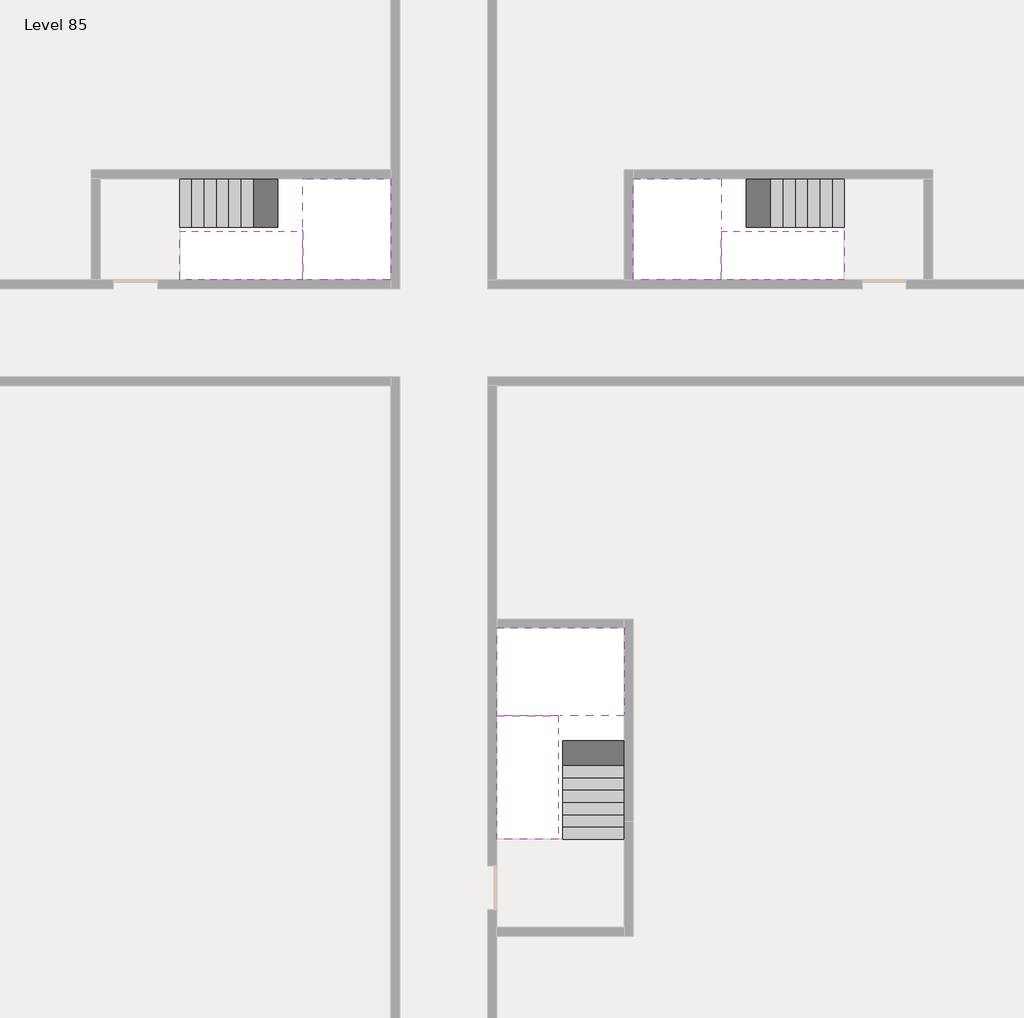
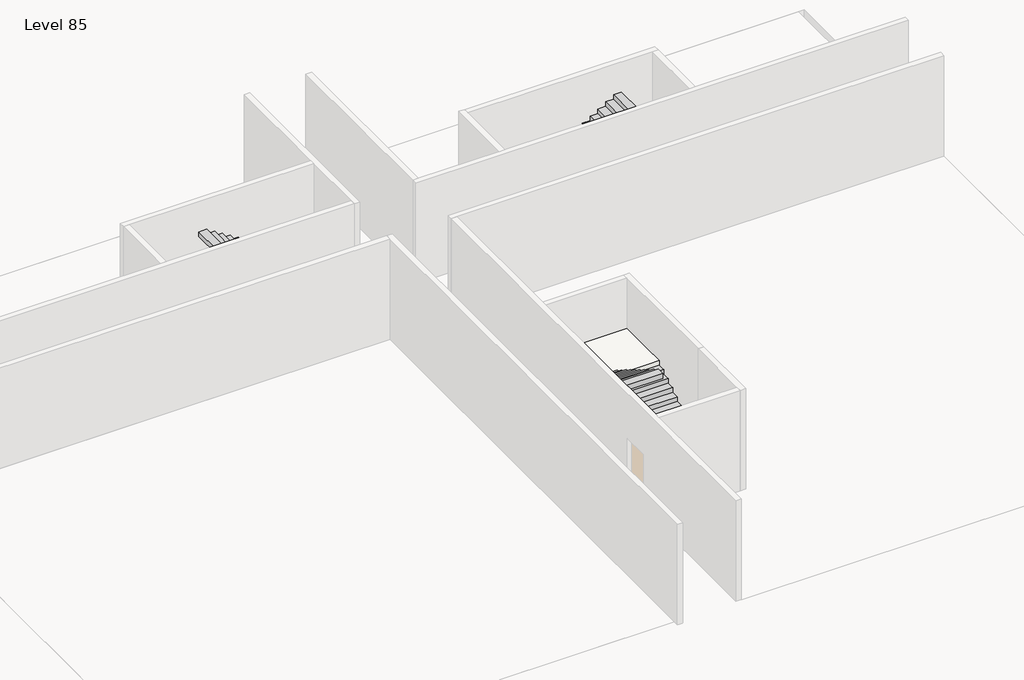
# One storey, part 2 of 2: 6 stair flights, 3 slabs.
"""IFC4 building model written with IfcOpenShell, lengths in millimetres."""

from ifc_helpers import new_model, si_unit, origin, place, context, project, spatial, faceted_brep, element, save

model = new_model("IFC4")

# Units and contexts
model_context = context("Model", 3, world=origin())
ifc_project = project(units=[si_unit("LENGTHUNIT", "METRE", prefix="MILLI")], contexts=[model_context])

# Site, building, storey
site = spatial("IfcSite", under=ifc_project)
building = spatial("IfcBuilding", under=site)
storey = spatial("IfcBuildingStorey", under=building, Name="Level 85", Elevation=319200.0)

# Slabs
placement = place(None, origin())
element("IfcSlab", 1, at=placement, inside=storey, context=model_context, shape_type="Brep", body=[
    faceted_brep([(26890.1058784, -40418.09644, 321100.0), (28290.1058784, -40418.09644, 321100.0), (28290.1058784, -40338.7100038, 321100.0), (28290.1058784, -38418.09644, 321100.0), (25390.1058784, -38418.09644, 321100.0), (25390.1058784, -40217.4828763, 321100.0), (25390.1058784, -40418.09644, 321100.0), (26790.1058784, -40418.09644, 321100.0), (26890.1058784, -40418.09644, 320800.0), (26890.1058784, -40418.09644, 320751.0278478), (28290.1058784, -40418.09644, 320751.0278478), (28290.1058784, -40418.09644, 320927.2727273), (28290.1058784, -40338.7100038, 320800.0), (28290.1058784, -38418.09644, 320800.0), (25390.1058784, -38418.09644, 320800.0), (25390.1058784, -40217.4828763, 320800.0), (25390.1058784, -40418.09644, 320923.7551205), (26790.1058784, -40418.09644, 320923.7551205), (26790.1058784, -40418.09644, 320800.0), (26790.1058784, -40217.4828763, 320800.0), (26890.1058784, -40338.7100038, 320800.0)], [[[0, 1, 2, 3, 4, 5, 6, 7]], [[1, 0, 8, 9, 10, 11]], [[1, 11, 10, 12, 13, 3, 2]], [[4, 3, 13, 14]], [[4, 14, 15, 16, 6, 5]], [[7, 6, 16, 17]], [[0, 7, 17, 18, 8]], [[18, 19, 15, 14, 13, 12, 20, 8]], [[19, 18, 17]], [[20, 12, 10, 9]], [[8, 20, 9]], [[15, 19, 17, 16]]]),
])
element("IfcSlab", 2, at=placement, inside=storey, context=model_context, shape_type="Brep", body=[
    faceted_brep([(20990.1058784, -28218.09644, 321100.0), (20990.1058784, -29318.09644, 321100.0), (20990.1058784, -29418.09644, 321100.0), (20990.1058784, -30518.09644, 321100.0), (21190.7194421, -30518.09644, 321100.0), (22990.1058784, -30518.09644, 321100.0), (22990.1058784, -28218.09644, 321100.0), (21069.4923146, -28218.09644, 321100.0), (20990.1058784, -28218.09644, 320927.2727273), (20990.1058784, -28218.09644, 320751.0278478), (20990.1058784, -29318.09644, 320751.0278478), (20990.1058784, -29318.09644, 320800.0), (20990.1058784, -29418.09644, 320800.0), (20990.1058784, -29418.09644, 320923.7551205), (20990.1058784, -30518.09644, 320923.7551205), (21190.7194421, -30518.09644, 320800.0), (22990.1058784, -30518.09644, 320800.0), (22990.1058784, -28218.09644, 320800.0), (21069.4923146, -28218.09644, 320800.0), (21190.7194421, -29418.09644, 320800.0), (21069.4923146, -29318.09644, 320800.0)], [[[0, 1, 2, 3, 4, 5, 6, 7]], [[1, 0, 8, 9, 10, 11]], [[2, 1, 11, 12, 13]], [[3, 2, 13, 14]], [[3, 14, 15, 16, 5, 4]], [[6, 5, 16, 17]], [[9, 8, 0, 7, 6, 17, 18]], [[19, 12, 11, 20, 18, 17, 16, 15]], [[12, 19, 13]], [[18, 20, 10, 9]], [[20, 11, 10]], [[19, 15, 14, 13]]]),
])
element("IfcSlab", 3, at=placement, inside=storey, context=model_context, shape_type="Brep", body=[
    faceted_brep([(30490.1058784, -29318.09644, 321100.0), (30490.1058784, -28218.09644, 321100.0), (30410.7194421, -28218.09644, 321100.0), (28490.1058784, -28218.09644, 321100.0), (28490.1058784, -30518.09644, 321100.0), (30289.4923146, -30518.09644, 321100.0), (30490.1058784, -30518.09644, 321100.0), (30490.1058784, -29418.09644, 321100.0), (30490.1058784, -29318.09644, 320800.0), (30490.1058784, -29318.09644, 320751.0278478), (30490.1058784, -28218.09644, 320751.0278478), (30490.1058784, -28218.09644, 320927.2727273), (30490.1058784, -29418.09644, 320923.7551205), (30490.1058784, -29418.09644, 320800.0), (30490.1058784, -30518.09644, 320923.7551205), (28490.1058784, -30518.09644, 320800.0), (30289.4923146, -30518.09644, 320800.0), (28490.1058784, -28218.09644, 320800.0), (30410.7194421, -28218.09644, 320800.0), (30289.4923146, -29418.09644, 320800.0), (30410.7194421, -29318.09644, 320800.0)], [[[0, 1, 2, 3, 4, 5, 6, 7]], [[1, 0, 8, 9, 10, 11]], [[0, 7, 12, 13, 8]], [[7, 6, 14, 12]], [[4, 15, 16, 14, 6, 5]], [[4, 3, 17, 15]], [[1, 11, 10, 18, 17, 3, 2]], [[13, 19, 16, 15, 17, 18, 20, 8]], [[20, 18, 10, 9]], [[8, 20, 9]], [[16, 19, 12, 14]], [[19, 13, 12]]]),
])

# Stair flights
element("IfcStairFlight", 4, at=placement, inside=storey, context=model_context, shape_type="Brep", body=[
    faceted_brep([(26890.1058784, -42938.09644, 319372.7272727), (26890.1058784, -43218.09644, 319372.7272727), (28290.1058784, -43218.09644, 319372.7272727), (28290.1058784, -42938.09644, 319372.7272727), (26890.1058784, -42938.09644, 319200.0), (26890.1058784, -43218.09644, 319200.0), (28290.1058784, -43218.09644, 319200.0), (28290.1058784, -42938.09644, 319200.0), (26890.1058784, -42658.09644, 319545.4545455), (26890.1058784, -42938.09644, 319545.4545455), (28290.1058784, -42938.09644, 319545.4545455), (28290.1058784, -42658.09644, 319545.4545455), (26890.1058784, -42658.09644, 319369.209666), (26890.1058784, -42932.3942143, 319200.0), (28290.1058784, -42932.3942143, 319200.0), (28290.1058784, -42658.09644, 319369.209666), (26890.1058784, -42378.09644, 319718.1818182), (26890.1058784, -42658.09644, 319718.1818182), (28290.1058784, -42658.09644, 319718.1818182), (28290.1058784, -42378.09644, 319718.1818182), (26890.1058784, -42378.09644, 319541.9369387), (28290.1058784, -42378.09644, 319541.9369387), (26890.1058784, -42098.09644, 319890.9090909), (26890.1058784, -42378.09644, 319890.9090909), (28290.1058784, -42378.09644, 319890.9090909), (28290.1058784, -42098.09644, 319890.9090909), (26890.1058784, -42098.09644, 319714.6642114), (28290.1058784, -42098.09644, 319714.6642114), (26890.1058784, -41818.09644, 320063.6363636), (26890.1058784, -42098.09644, 320063.6363636), (28290.1058784, -42098.09644, 320063.6363636), (28290.1058784, -41818.09644, 320063.6363636), (26890.1058784, -41818.09644, 319887.3914841), (28290.1058784, -41818.09644, 319887.3914841), (26890.1058784, -41538.09644, 320236.3636364), (26890.1058784, -41818.09644, 320236.3636364), (28290.1058784, -41818.09644, 320236.3636364), (28290.1058784, -41538.09644, 320236.3636364), (26890.1058784, -41538.09644, 320060.1187569), (28290.1058784, -41538.09644, 320060.1187569), (26890.1058784, -41258.09644, 320409.0909091), (26890.1058784, -41538.09644, 320409.0909091), (28290.1058784, -41538.09644, 320409.0909091), (28290.1058784, -41258.09644, 320409.0909091), (26890.1058784, -41258.09644, 320232.8460296), (28290.1058784, -41258.09644, 320232.8460296), (26890.1058784, -40978.09644, 320581.8181818), (26890.1058784, -41258.09644, 320581.8181818), (28290.1058784, -41258.09644, 320581.8181818), (28290.1058784, -40978.09644, 320581.8181818), (26890.1058784, -40978.09644, 320405.5733023), (28290.1058784, -40978.09644, 320405.5733023), (26890.1058784, -40698.09644, 320754.5454545), (26890.1058784, -40978.09644, 320754.5454545), (28290.1058784, -40978.09644, 320754.5454545), (28290.1058784, -40698.09644, 320754.5454545), (26890.1058784, -40698.09644, 320578.3005751), (28290.1058784, -40698.09644, 320578.3005751), (26890.1058784, -40418.09644, 320927.2727273), (26890.1058784, -40698.09644, 320927.2727273), (28290.1058784, -40698.09644, 320927.2727273), (28290.1058784, -40418.09644, 320927.2727273), (26890.1058784, -40418.09644, 320800.0), (26890.1058784, -40418.09644, 320751.0278478), (28290.1058784, -40418.09644, 320751.0278478)], [[[0, 1, 2, 3]], [[1, 0, 4, 5]], [[2, 1, 5, 6]], [[3, 2, 6, 7]], [[8, 9, 10, 11]], [[4, 0, 9, 8, 12, 13]], [[0, 3, 10, 9]], [[3, 7, 14, 15, 11, 10]], [[16, 17, 18, 19]], [[17, 16, 20, 12, 8]], [[8, 11, 18, 17]], [[19, 18, 11, 15, 21]], [[22, 23, 24, 25]], [[23, 22, 26, 20, 16]], [[16, 19, 24, 23]], [[25, 24, 19, 21, 27]], [[28, 29, 30, 31]], [[29, 28, 32, 26, 22]], [[22, 25, 30, 29]], [[31, 30, 25, 27, 33]], [[34, 35, 36, 37]], [[35, 34, 38, 32, 28]], [[28, 31, 36, 35]], [[37, 36, 31, 33, 39]], [[40, 41, 42, 43]], [[41, 40, 44, 38, 34]], [[34, 37, 42, 41]], [[43, 42, 37, 39, 45]], [[46, 47, 48, 49]], [[47, 46, 50, 44, 40]], [[40, 43, 48, 47]], [[49, 48, 43, 45, 51]], [[52, 53, 54, 55]], [[53, 52, 56, 50, 46]], [[46, 49, 54, 53]], [[55, 54, 49, 51, 57]], [[58, 59, 60, 61]], [[59, 58, 62, 63, 56, 52]], [[52, 55, 60, 59]], [[61, 60, 55, 57, 64]], [[58, 61, 64, 63, 62]], [[5, 4, 13, 14, 7, 6]], [[14, 13, 12, 20, 26, 32, 38, 44, 50, 56, 63, 64, 57, 51, 45, 39, 33, 27, 21, 15]]]),
])
element("IfcStairFlight", 5, at=placement, inside=storey, context=model_context, shape_type="Brep", body=[
    faceted_brep([(26790.1058784, -40698.09644, 321272.7272727), (26790.1058784, -40418.09644, 321272.7272727), (25390.1058784, -40418.09644, 321272.7272727), (25390.1058784, -40698.09644, 321272.7272727), (26790.1058784, -40698.09644, 321096.4823932), (26790.1058784, -40418.09644, 320923.7551205), (25390.1058784, -40418.09644, 320923.7551205), (25390.1058784, -40418.09644, 321100.0), (25390.1058784, -40698.09644, 321096.4823932), (26790.1058784, -40978.09644, 321445.4545455), (26790.1058784, -40698.09644, 321445.4545455), (25390.1058784, -40698.09644, 321445.4545455), (25390.1058784, -40978.09644, 321445.4545455), (26790.1058784, -40978.09644, 321269.209666), (25390.1058784, -40978.09644, 321269.209666), (26790.1058784, -41258.09644, 321618.1818182), (26790.1058784, -40978.09644, 321618.1818182), (25390.1058784, -40978.09644, 321618.1818182), (25390.1058784, -41258.09644, 321618.1818182), (26790.1058784, -41258.09644, 321441.9369387), (25390.1058784, -41258.09644, 321441.9369387), (26790.1058784, -41538.09644, 321790.9090909), (26790.1058784, -41258.09644, 321790.9090909), (25390.1058784, -41258.09644, 321790.9090909), (25390.1058784, -41538.09644, 321790.9090909), (26790.1058784, -41538.09644, 321614.6642114), (25390.1058784, -41538.09644, 321614.6642114), (26790.1058784, -41818.09644, 321963.6363636), (26790.1058784, -41538.09644, 321963.6363636), (25390.1058784, -41538.09644, 321963.6363636), (25390.1058784, -41818.09644, 321963.6363636), (26790.1058784, -41818.09644, 321787.3914841), (25390.1058784, -41818.09644, 321787.3914841), (26790.1058784, -42098.09644, 322136.3636364), (26790.1058784, -41818.09644, 322136.3636364), (25390.1058784, -41818.09644, 322136.3636364), (25390.1058784, -42098.09644, 322136.3636364), (26790.1058784, -42098.09644, 321960.1187569), (25390.1058784, -42098.09644, 321960.1187569), (26790.1058784, -42378.09644, 322309.0909091), (26790.1058784, -42098.09644, 322309.0909091), (25390.1058784, -42098.09644, 322309.0909091), (25390.1058784, -42378.09644, 322309.0909091), (26790.1058784, -42378.09644, 322132.8460296), (25390.1058784, -42378.09644, 322132.8460296), (26790.1058784, -42658.09644, 322481.8181818), (26790.1058784, -42378.09644, 322481.8181818), (25390.1058784, -42378.09644, 322481.8181818), (25390.1058784, -42658.09644, 322481.8181818), (26790.1058784, -42658.09644, 322305.5733023), (25390.1058784, -42658.09644, 322305.5733023), (26790.1058784, -42938.09644, 322654.5454545), (26790.1058784, -42658.09644, 322654.5454545), (25390.1058784, -42658.09644, 322654.5454545), (25390.1058784, -42938.09644, 322654.5454545), (26790.1058784, -42938.09644, 322478.3005751), (25390.1058784, -42938.09644, 322478.3005751), (26790.1058784, -43218.09644, 322827.2727273), (26790.1058784, -42938.09644, 322827.2727273), (25390.1058784, -42938.09644, 322827.2727273), (25390.1058784, -43218.09644, 322827.2727273), (26790.1058784, -43218.09644, 322651.0278478), (25390.1058784, -43218.09644, 322651.0278478)], [[[0, 1, 2, 3]], [[1, 0, 4, 5]], [[2, 1, 5, 6, 7]], [[3, 2, 7, 6, 8]], [[9, 10, 11, 12]], [[10, 9, 13, 4, 0]], [[11, 10, 0, 3]], [[12, 11, 3, 8, 14]], [[15, 16, 17, 18]], [[16, 15, 19, 13, 9]], [[17, 16, 9, 12]], [[18, 17, 12, 14, 20]], [[21, 22, 23, 24]], [[22, 21, 25, 19, 15]], [[23, 22, 15, 18]], [[24, 23, 18, 20, 26]], [[27, 28, 29, 30]], [[28, 27, 31, 25, 21]], [[29, 28, 21, 24]], [[30, 29, 24, 26, 32]], [[33, 34, 35, 36]], [[34, 33, 37, 31, 27]], [[35, 34, 27, 30]], [[36, 35, 30, 32, 38]], [[39, 40, 41, 42]], [[40, 39, 43, 37, 33]], [[41, 40, 33, 36]], [[42, 41, 36, 38, 44]], [[45, 46, 47, 48]], [[46, 45, 49, 43, 39]], [[47, 46, 39, 42]], [[48, 47, 42, 44, 50]], [[51, 52, 53, 54]], [[52, 51, 55, 49, 45]], [[53, 52, 45, 48]], [[54, 53, 48, 50, 56]], [[57, 58, 59, 60]], [[58, 57, 61, 55, 51]], [[59, 58, 51, 54]], [[60, 59, 54, 56, 62]], [[57, 60, 62, 61]], [[5, 4, 13, 19, 25, 31, 37, 43, 49, 55, 61, 62, 56, 50, 44, 38, 32, 26, 20, 14, 8, 6]]]),
])
element("IfcStairFlight", 6, at=placement, inside=storey, context=model_context, shape_type="Brep", body=[
    faceted_brep([(18470.1058784, -28218.09644, 319372.7272727), (18190.1058784, -28218.09644, 319372.7272727), (18190.1058784, -29318.09644, 319372.7272727), (18470.1058784, -29318.09644, 319372.7272727), (18470.1058784, -28218.09644, 319200.0), (18190.1058784, -28218.09644, 319200.0), (18190.1058784, -29318.09644, 319200.0), (18470.1058784, -29318.09644, 319200.0), (18750.1058784, -28218.09644, 319545.4545455), (18470.1058784, -28218.09644, 319545.4545455), (18470.1058784, -29318.09644, 319545.4545455), (18750.1058784, -29318.09644, 319545.4545455), (18750.1058784, -28218.09644, 319369.209666), (18475.8081041, -28218.09644, 319200.0), (18475.8081041, -29318.09644, 319200.0), (18750.1058784, -29318.09644, 319369.209666), (19030.1058784, -28218.09644, 319718.1818182), (18750.1058784, -28218.09644, 319718.1818182), (18750.1058784, -29318.09644, 319718.1818182), (19030.1058784, -29318.09644, 319718.1818182), (19030.1058784, -28218.09644, 319541.9369387), (19030.1058784, -29318.09644, 319541.9369387), (19310.1058784, -28218.09644, 319890.9090909), (19030.1058784, -28218.09644, 319890.9090909), (19030.1058784, -29318.09644, 319890.9090909), (19310.1058784, -29318.09644, 319890.9090909), (19310.1058784, -28218.09644, 319714.6642114), (19310.1058784, -29318.09644, 319714.6642114), (19590.1058784, -28218.09644, 320063.6363636), (19310.1058784, -28218.09644, 320063.6363636), (19310.1058784, -29318.09644, 320063.6363636), (19590.1058784, -29318.09644, 320063.6363636), (19590.1058784, -28218.09644, 319887.3914841), (19590.1058784, -29318.09644, 319887.3914841), (19870.1058784, -28218.09644, 320236.3636364), (19590.1058784, -28218.09644, 320236.3636364), (19590.1058784, -29318.09644, 320236.3636364), (19870.1058784, -29318.09644, 320236.3636364), (19870.1058784, -28218.09644, 320060.1187569), (19870.1058784, -29318.09644, 320060.1187569), (20150.1058784, -28218.09644, 320409.0909091), (19870.1058784, -28218.09644, 320409.0909091), (19870.1058784, -29318.09644, 320409.0909091), (20150.1058784, -29318.09644, 320409.0909091), (20150.1058784, -28218.09644, 320232.8460296), (20150.1058784, -29318.09644, 320232.8460296), (20430.1058784, -28218.09644, 320581.8181818), (20150.1058784, -28218.09644, 320581.8181818), (20150.1058784, -29318.09644, 320581.8181818), (20430.1058784, -29318.09644, 320581.8181818), (20430.1058784, -28218.09644, 320405.5733023), (20430.1058784, -29318.09644, 320405.5733023), (20710.1058784, -28218.09644, 320754.5454545), (20430.1058784, -28218.09644, 320754.5454545), (20430.1058784, -29318.09644, 320754.5454545), (20710.1058784, -29318.09644, 320754.5454545), (20710.1058784, -28218.09644, 320578.3005751), (20710.1058784, -29318.09644, 320578.3005751), (20990.1058784, -28218.09644, 320927.2727273), (20710.1058784, -28218.09644, 320927.2727273), (20710.1058784, -29318.09644, 320927.2727273), (20990.1058784, -29318.09644, 320927.2727273), (20990.1058784, -28218.09644, 320751.0278478), (20990.1058784, -29318.09644, 320751.0278478), (20990.1058784, -29318.09644, 320800.0)], [[[0, 1, 2, 3]], [[1, 0, 4, 5]], [[2, 1, 5, 6]], [[3, 2, 6, 7]], [[8, 9, 10, 11]], [[4, 0, 9, 8, 12, 13]], [[0, 3, 10, 9]], [[3, 7, 14, 15, 11, 10]], [[16, 17, 18, 19]], [[17, 16, 20, 12, 8]], [[8, 11, 18, 17]], [[19, 18, 11, 15, 21]], [[22, 23, 24, 25]], [[23, 22, 26, 20, 16]], [[16, 19, 24, 23]], [[25, 24, 19, 21, 27]], [[28, 29, 30, 31]], [[29, 28, 32, 26, 22]], [[22, 25, 30, 29]], [[31, 30, 25, 27, 33]], [[34, 35, 36, 37]], [[35, 34, 38, 32, 28]], [[28, 31, 36, 35]], [[37, 36, 31, 33, 39]], [[40, 41, 42, 43]], [[41, 40, 44, 38, 34]], [[34, 37, 42, 41]], [[43, 42, 37, 39, 45]], [[46, 47, 48, 49]], [[47, 46, 50, 44, 40]], [[40, 43, 48, 47]], [[49, 48, 43, 45, 51]], [[52, 53, 54, 55]], [[53, 52, 56, 50, 46]], [[46, 49, 54, 53]], [[55, 54, 49, 51, 57]], [[58, 59, 60, 61]], [[59, 58, 62, 56, 52]], [[52, 55, 60, 59]], [[61, 60, 55, 57, 63, 64]], [[58, 61, 64, 63, 62]], [[5, 4, 13, 14, 7, 6]], [[14, 13, 12, 20, 26, 32, 38, 44, 50, 56, 62, 63, 57, 51, 45, 39, 33, 27, 21, 15]]]),
])
element("IfcStairFlight", 7, at=placement, inside=storey, context=model_context, shape_type="Brep", body=[
    faceted_brep([(20710.1058784, -30518.09644, 321272.7272727), (20990.1058784, -30518.09644, 321272.7272727), (20990.1058784, -29418.09644, 321272.7272727), (20710.1058784, -29418.09644, 321272.7272727), (20710.1058784, -30518.09644, 321096.4823932), (20990.1058784, -30518.09644, 320923.7551205), (20990.1058784, -30518.09644, 321100.0), (20990.1058784, -29418.09644, 320923.7551205), (20710.1058784, -29418.09644, 321096.4823932), (20430.1058784, -30518.09644, 321445.4545455), (20710.1058784, -30518.09644, 321445.4545455), (20710.1058784, -29418.09644, 321445.4545455), (20430.1058784, -29418.09644, 321445.4545455), (20430.1058784, -30518.09644, 321269.209666), (20430.1058784, -29418.09644, 321269.209666), (20150.1058784, -30518.09644, 321618.1818182), (20430.1058784, -30518.09644, 321618.1818182), (20430.1058784, -29418.09644, 321618.1818182), (20150.1058784, -29418.09644, 321618.1818182), (20150.1058784, -30518.09644, 321441.9369387), (20150.1058784, -29418.09644, 321441.9369387), (19870.1058784, -30518.09644, 321790.9090909), (20150.1058784, -30518.09644, 321790.9090909), (20150.1058784, -29418.09644, 321790.9090909), (19870.1058784, -29418.09644, 321790.9090909), (19870.1058784, -30518.09644, 321614.6642114), (19870.1058784, -29418.09644, 321614.6642114), (19590.1058784, -30518.09644, 321963.6363636), (19870.1058784, -30518.09644, 321963.6363636), (19870.1058784, -29418.09644, 321963.6363636), (19590.1058784, -29418.09644, 321963.6363636), (19590.1058784, -30518.09644, 321787.3914841), (19590.1058784, -29418.09644, 321787.3914841), (19310.1058784, -30518.09644, 322136.3636364), (19590.1058784, -30518.09644, 322136.3636364), (19590.1058784, -29418.09644, 322136.3636364), (19310.1058784, -29418.09644, 322136.3636364), (19310.1058784, -30518.09644, 321960.1187569), (19310.1058784, -29418.09644, 321960.1187569), (19030.1058784, -30518.09644, 322309.0909091), (19310.1058784, -30518.09644, 322309.0909091), (19310.1058784, -29418.09644, 322309.0909091), (19030.1058784, -29418.09644, 322309.0909091), (19030.1058784, -30518.09644, 322132.8460296), (19030.1058784, -29418.09644, 322132.8460296), (18750.1058784, -30518.09644, 322481.8181818), (19030.1058784, -30518.09644, 322481.8181818), (19030.1058784, -29418.09644, 322481.8181818), (18750.1058784, -29418.09644, 322481.8181818), (18750.1058784, -30518.09644, 322305.5733023), (18750.1058784, -29418.09644, 322305.5733023), (18470.1058784, -30518.09644, 322654.5454545), (18750.1058784, -30518.09644, 322654.5454545), (18750.1058784, -29418.09644, 322654.5454545), (18470.1058784, -29418.09644, 322654.5454545), (18470.1058784, -30518.09644, 322478.3005751), (18470.1058784, -29418.09644, 322478.3005751), (18190.1058784, -30518.09644, 322827.2727273), (18470.1058784, -30518.09644, 322827.2727273), (18470.1058784, -29418.09644, 322827.2727273), (18190.1058784, -29418.09644, 322827.2727273), (18190.1058784, -30518.09644, 322651.0278478), (18190.1058784, -29418.09644, 322651.0278478)], [[[0, 1, 2, 3]], [[1, 0, 4, 5, 6]], [[2, 1, 6, 5, 7]], [[3, 2, 7, 8]], [[9, 10, 11, 12]], [[10, 9, 13, 4, 0]], [[11, 10, 0, 3]], [[12, 11, 3, 8, 14]], [[15, 16, 17, 18]], [[16, 15, 19, 13, 9]], [[17, 16, 9, 12]], [[18, 17, 12, 14, 20]], [[21, 22, 23, 24]], [[22, 21, 25, 19, 15]], [[23, 22, 15, 18]], [[24, 23, 18, 20, 26]], [[27, 28, 29, 30]], [[28, 27, 31, 25, 21]], [[29, 28, 21, 24]], [[30, 29, 24, 26, 32]], [[33, 34, 35, 36]], [[34, 33, 37, 31, 27]], [[35, 34, 27, 30]], [[36, 35, 30, 32, 38]], [[39, 40, 41, 42]], [[40, 39, 43, 37, 33]], [[41, 40, 33, 36]], [[42, 41, 36, 38, 44]], [[45, 46, 47, 48]], [[46, 45, 49, 43, 39]], [[47, 46, 39, 42]], [[48, 47, 42, 44, 50]], [[51, 52, 53, 54]], [[52, 51, 55, 49, 45]], [[53, 52, 45, 48]], [[54, 53, 48, 50, 56]], [[57, 58, 59, 60]], [[58, 57, 61, 55, 51]], [[59, 58, 51, 54]], [[60, 59, 54, 56, 62]], [[57, 60, 62, 61]], [[5, 4, 13, 19, 25, 31, 37, 43, 49, 55, 61, 62, 56, 50, 44, 38, 32, 26, 20, 14, 8, 7]]]),
])
element("IfcStairFlight", 8, at=placement, inside=storey, context=model_context, shape_type="Brep", body=[
    faceted_brep([(33010.1058784, -29318.09644, 319372.7272727), (33290.1058784, -29318.09644, 319372.7272727), (33290.1058784, -28218.09644, 319372.7272727), (33010.1058784, -28218.09644, 319372.7272727), (33290.1058784, -28218.09644, 319200.0), (33010.1058784, -28218.09644, 319200.0), (33290.1058784, -29318.09644, 319200.0), (33010.1058784, -29318.09644, 319200.0), (32730.1058784, -29318.09644, 319545.4545455), (33010.1058784, -29318.09644, 319545.4545455), (33010.1058784, -28218.09644, 319545.4545455), (32730.1058784, -28218.09644, 319545.4545455), (33004.4036527, -28218.09644, 319200.0), (32730.1058784, -28218.09644, 319369.209666), (32730.1058784, -29318.09644, 319369.209666), (33004.4036527, -29318.09644, 319200.0), (32450.1058784, -29318.09644, 319718.1818182), (32730.1058784, -29318.09644, 319718.1818182), (32730.1058784, -28218.09644, 319718.1818182), (32450.1058784, -28218.09644, 319718.1818182), (32450.1058784, -28218.09644, 319541.9369387), (32450.1058784, -29318.09644, 319541.9369387), (32170.1058784, -29318.09644, 319890.9090909), (32450.1058784, -29318.09644, 319890.9090909), (32450.1058784, -28218.09644, 319890.9090909), (32170.1058784, -28218.09644, 319890.9090909), (32170.1058784, -28218.09644, 319714.6642114), (32170.1058784, -29318.09644, 319714.6642114), (31890.1058784, -29318.09644, 320063.6363636), (32170.1058784, -29318.09644, 320063.6363636), (32170.1058784, -28218.09644, 320063.6363636), (31890.1058784, -28218.09644, 320063.6363636), (31890.1058784, -28218.09644, 319887.3914841), (31890.1058784, -29318.09644, 319887.3914841), (31610.1058784, -29318.09644, 320236.3636364), (31890.1058784, -29318.09644, 320236.3636364), (31890.1058784, -28218.09644, 320236.3636364), (31610.1058784, -28218.09644, 320236.3636364), (31610.1058784, -28218.09644, 320060.1187569), (31610.1058784, -29318.09644, 320060.1187569), (31330.1058784, -29318.09644, 320409.0909091), (31610.1058784, -29318.09644, 320409.0909091), (31610.1058784, -28218.09644, 320409.0909091), (31330.1058784, -28218.09644, 320409.0909091), (31330.1058784, -28218.09644, 320232.8460296), (31330.1058784, -29318.09644, 320232.8460296), (31050.1058784, -29318.09644, 320581.8181818), (31330.1058784, -29318.09644, 320581.8181818), (31330.1058784, -28218.09644, 320581.8181818), (31050.1058784, -28218.09644, 320581.8181818), (31050.1058784, -28218.09644, 320405.5733023), (31050.1058784, -29318.09644, 320405.5733023), (30770.1058784, -29318.09644, 320754.5454545), (31050.1058784, -29318.09644, 320754.5454545), (31050.1058784, -28218.09644, 320754.5454545), (30770.1058784, -28218.09644, 320754.5454545), (30770.1058784, -28218.09644, 320578.3005751), (30770.1058784, -29318.09644, 320578.3005751), (30490.1058784, -29318.09644, 320927.2727273), (30770.1058784, -29318.09644, 320927.2727273), (30770.1058784, -28218.09644, 320927.2727273), (30490.1058784, -28218.09644, 320927.2727273), (30490.1058784, -28218.09644, 320751.0278478), (30490.1058784, -29318.09644, 320800.0), (30490.1058784, -29318.09644, 320751.0278478)], [[[0, 1, 2, 3]], [[3, 2, 4, 5]], [[2, 1, 6, 4]], [[1, 0, 7, 6]], [[8, 9, 10, 11]], [[3, 5, 12, 13, 11, 10]], [[0, 3, 10, 9]], [[7, 0, 9, 8, 14, 15]], [[16, 17, 18, 19]], [[19, 18, 11, 13, 20]], [[8, 11, 18, 17]], [[17, 16, 21, 14, 8]], [[22, 23, 24, 25]], [[25, 24, 19, 20, 26]], [[16, 19, 24, 23]], [[23, 22, 27, 21, 16]], [[28, 29, 30, 31]], [[31, 30, 25, 26, 32]], [[22, 25, 30, 29]], [[29, 28, 33, 27, 22]], [[34, 35, 36, 37]], [[37, 36, 31, 32, 38]], [[28, 31, 36, 35]], [[35, 34, 39, 33, 28]], [[40, 41, 42, 43]], [[43, 42, 37, 38, 44]], [[34, 37, 42, 41]], [[41, 40, 45, 39, 34]], [[46, 47, 48, 49]], [[49, 48, 43, 44, 50]], [[40, 43, 48, 47]], [[47, 46, 51, 45, 40]], [[52, 53, 54, 55]], [[55, 54, 49, 50, 56]], [[46, 49, 54, 53]], [[53, 52, 57, 51, 46]], [[58, 59, 60, 61]], [[61, 60, 55, 56, 62]], [[52, 55, 60, 59]], [[59, 58, 63, 64, 57, 52]], [[58, 61, 62, 64, 63]], [[6, 7, 15, 12, 5, 4]], [[12, 15, 14, 21, 27, 33, 39, 45, 51, 57, 64, 62, 56, 50, 44, 38, 32, 26, 20, 13]]]),
])
element("IfcStairFlight", 9, at=placement, inside=storey, context=model_context, shape_type="Brep", body=[
    faceted_brep([(30770.1058784, -29418.09644, 321272.7272727), (30490.1058784, -29418.09644, 321272.7272727), (30490.1058784, -30518.09644, 321272.7272727), (30770.1058784, -30518.09644, 321272.7272727), (30490.1058784, -30518.09644, 321100.0), (30490.1058784, -30518.09644, 320923.7551205), (30770.1058784, -30518.09644, 321096.4823932), (30490.1058784, -29418.09644, 320923.7551205), (30770.1058784, -29418.09644, 321096.4823932), (31050.1058784, -29418.09644, 321445.4545455), (30770.1058784, -29418.09644, 321445.4545455), (30770.1058784, -30518.09644, 321445.4545455), (31050.1058784, -30518.09644, 321445.4545455), (31050.1058784, -30518.09644, 321269.209666), (31050.1058784, -29418.09644, 321269.209666), (31330.1058784, -29418.09644, 321618.1818182), (31050.1058784, -29418.09644, 321618.1818182), (31050.1058784, -30518.09644, 321618.1818182), (31330.1058784, -30518.09644, 321618.1818182), (31330.1058784, -30518.09644, 321441.9369387), (31330.1058784, -29418.09644, 321441.9369387), (31610.1058784, -29418.09644, 321790.9090909), (31330.1058784, -29418.09644, 321790.9090909), (31330.1058784, -30518.09644, 321790.9090909), (31610.1058784, -30518.09644, 321790.9090909), (31610.1058784, -30518.09644, 321614.6642114), (31610.1058784, -29418.09644, 321614.6642114), (31890.1058784, -29418.09644, 321963.6363636), (31610.1058784, -29418.09644, 321963.6363636), (31610.1058784, -30518.09644, 321963.6363636), (31890.1058784, -30518.09644, 321963.6363636), (31890.1058784, -30518.09644, 321787.3914841), (31890.1058784, -29418.09644, 321787.3914841), (32170.1058784, -29418.09644, 322136.3636364), (31890.1058784, -29418.09644, 322136.3636364), (31890.1058784, -30518.09644, 322136.3636364), (32170.1058784, -30518.09644, 322136.3636364), (32170.1058784, -30518.09644, 321960.1187569), (32170.1058784, -29418.09644, 321960.1187569), (32450.1058784, -29418.09644, 322309.0909091), (32170.1058784, -29418.09644, 322309.0909091), (32170.1058784, -30518.09644, 322309.0909091), (32450.1058784, -30518.09644, 322309.0909091), (32450.1058784, -30518.09644, 322132.8460296), (32450.1058784, -29418.09644, 322132.8460296), (32730.1058784, -29418.09644, 322481.8181818), (32450.1058784, -29418.09644, 322481.8181818), (32450.1058784, -30518.09644, 322481.8181818), (32730.1058784, -30518.09644, 322481.8181818), (32730.1058784, -30518.09644, 322305.5733023), (32730.1058784, -29418.09644, 322305.5733023), (33010.1058784, -29418.09644, 322654.5454545), (32730.1058784, -29418.09644, 322654.5454545), (32730.1058784, -30518.09644, 322654.5454545), (33010.1058784, -30518.09644, 322654.5454545), (33010.1058784, -30518.09644, 322478.3005751), (33010.1058784, -29418.09644, 322478.3005751), (33290.1058784, -29418.09644, 322827.2727273), (33010.1058784, -29418.09644, 322827.2727273), (33010.1058784, -30518.09644, 322827.2727273), (33290.1058784, -30518.09644, 322827.2727273), (33290.1058784, -30518.09644, 322651.0278478), (33290.1058784, -29418.09644, 322651.0278478)], [[[0, 1, 2, 3]], [[3, 2, 4, 5, 6]], [[2, 1, 7, 5, 4]], [[1, 0, 8, 7]], [[9, 10, 11, 12]], [[12, 11, 3, 6, 13]], [[11, 10, 0, 3]], [[10, 9, 14, 8, 0]], [[15, 16, 17, 18]], [[18, 17, 12, 13, 19]], [[17, 16, 9, 12]], [[16, 15, 20, 14, 9]], [[21, 22, 23, 24]], [[24, 23, 18, 19, 25]], [[23, 22, 15, 18]], [[22, 21, 26, 20, 15]], [[27, 28, 29, 30]], [[30, 29, 24, 25, 31]], [[29, 28, 21, 24]], [[28, 27, 32, 26, 21]], [[33, 34, 35, 36]], [[36, 35, 30, 31, 37]], [[35, 34, 27, 30]], [[34, 33, 38, 32, 27]], [[39, 40, 41, 42]], [[42, 41, 36, 37, 43]], [[41, 40, 33, 36]], [[40, 39, 44, 38, 33]], [[45, 46, 47, 48]], [[48, 47, 42, 43, 49]], [[47, 46, 39, 42]], [[46, 45, 50, 44, 39]], [[51, 52, 53, 54]], [[54, 53, 48, 49, 55]], [[53, 52, 45, 48]], [[52, 51, 56, 50, 45]], [[57, 58, 59, 60]], [[60, 59, 54, 55, 61]], [[59, 58, 51, 54]], [[58, 57, 62, 56, 51]], [[57, 60, 61, 62]], [[7, 8, 14, 20, 26, 32, 38, 44, 50, 56, 62, 61, 55, 49, 43, 37, 31, 25, 19, 13, 6, 5]]]),
])

save(model, "model.ifc")
